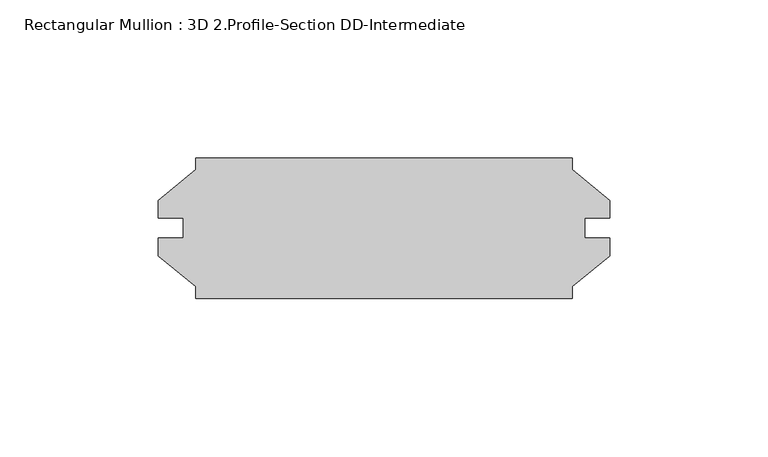
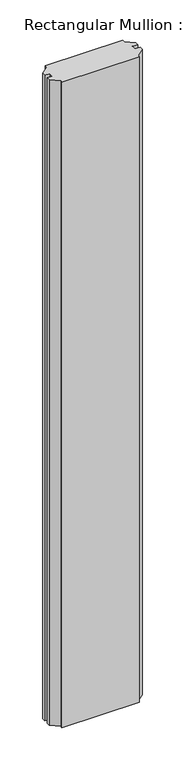
"""IFC4 building model written with IfcOpenShell, lengths in millimetres: member geometry, Rectangular Mullion : 3D 2.Profile-Section DD-Intermediate."""

from ifc_helpers import new_model, si_unit, frame, origin, place, context, project, spatial, polyline, outline, extrude, source, transform, mapped, element, save


def rectangular_mullion_3d_2_profile_section_dd_intermediate_ec6a8098(model_context):
    return source(origin(), model_context, "Body", "SweptSolid", [
        extrude(outline(polyline([(-57.9374, -22.26945), (-57.9374, -18.563286), (-69.84365, -8.79475), (-69.84365, -3.21945), (-61.8998, -3.21945), (-61.8998, 3.13055), (-69.84365, 3.13055), (-69.84365, 8.70585), (-57.9374, 18.474386), (-57.9374, 22.18055), (61.1124, 22.18055), (61.1561509, 18.4384904), (73.01865, 8.70585), (73.01865, 3.13055), (65.0748, 3.13055), (65.0748, -3.21945), (73.01865, -3.21945), (73.01865, -8.79475), (61.1124, -18.563286), (61.1124, -22.26945), (-57.9374, -22.26945)])), frame((0.0, 0.0, -1049.1352377), z_axis=(0.0, 0.0, 1.0), x_axis=(1.0, 0.0, 0.0)), (0.0, 0.0, 1.0), 1049.1352377),
    ])


if __name__ == "__main__":
    model = new_model("IFC4")
    model_context = context("Model", 3, world=origin())
    ifc_project = project(units=[si_unit("LENGTHUNIT", "METRE", prefix="MILLI")], contexts=[model_context])
    site = spatial("IfcSite", under=ifc_project)
    building = spatial("IfcBuilding", under=site)
    placement = place(None, origin())
    rectangular_mullion_3d_2_profile_section_dd_intermediate_shape = rectangular_mullion_3d_2_profile_section_dd_intermediate_ec6a8098(model_context)
    element("IfcMember", 1, ObjectType="Rectangular Mullion : 3D 2.Profile-Section DD-Intermediate", at=placement, inside=building, context=model_context, shape_type="MappedRepresentation", body=[
        mapped(rectangular_mullion_3d_2_profile_section_dd_intermediate_shape, transform((0.0, 0.0, 0.0), x_axis=(1.0, 0.0, 0.0), y_axis=(0.0, 1.0, 0.0), z_axis=(0.0, 0.0, 1.0))),
    ])
    save(model, "model.ifc")
